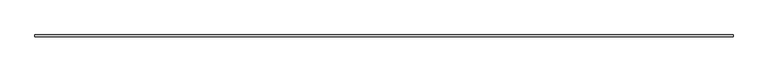
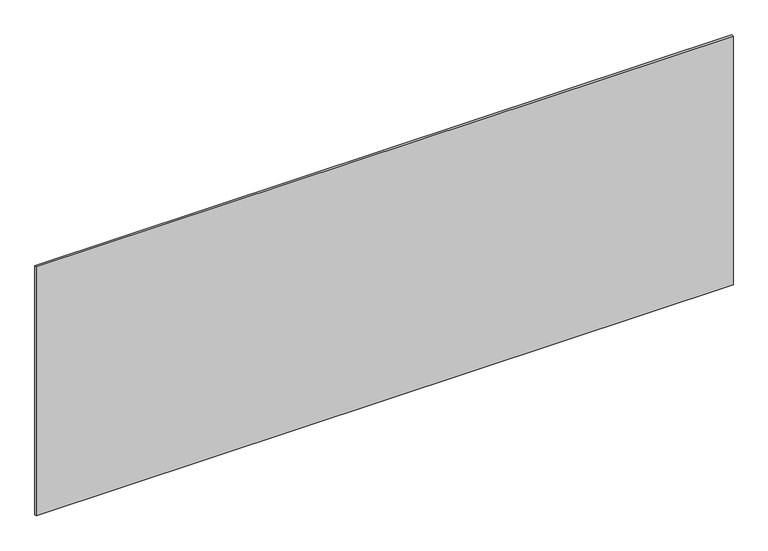
"""IFC4 building model written with IfcOpenShell, lengths in millimetres: plate geometry."""

from ifc_helpers import new_model, si_unit, origin, origin_with_axes, place, context, project, spatial, polyline, outline, extrude, source, transform, mapped, element, save


def plate_007849ab(model_context):
    return source(origin(), model_context, "Body", "SweptSolid", [
        extrude(outline(polyline([(1697.5, -5.0), (-1697.5, -5.0), (-1697.5, 5.0), (1697.5, 5.0), (1697.5, -5.0)])), origin_with_axes(), (0.0, 0.0, 1.0), 1281.207091),
    ])


if __name__ == "__main__":
    model = new_model("IFC4")
    model_context = context("Model", 3, world=origin())
    ifc_project = project(units=[si_unit("LENGTHUNIT", "METRE", prefix="MILLI")], contexts=[model_context])
    site = spatial("IfcSite", under=ifc_project)
    building = spatial("IfcBuilding", under=site)
    placement = place(None, origin())
    plate_shape = plate_007849ab(model_context)
    element("IfcPlate", 1, at=placement, inside=building, context=model_context, shape_type="MappedRepresentation", body=[
        mapped(plate_shape, transform((0.0, 0.0, 0.0), x_axis=(1.0, 0.0, 0.0), y_axis=(0.0, 1.0, 0.0), z_axis=(0.0, 0.0, 1.0))),
    ])
    save(model, "model.ifc")
